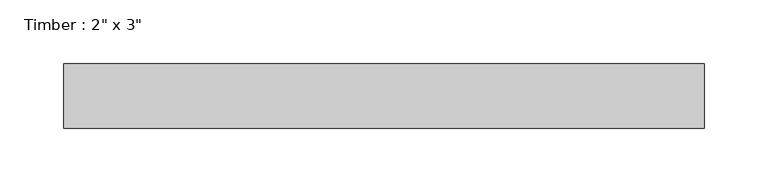
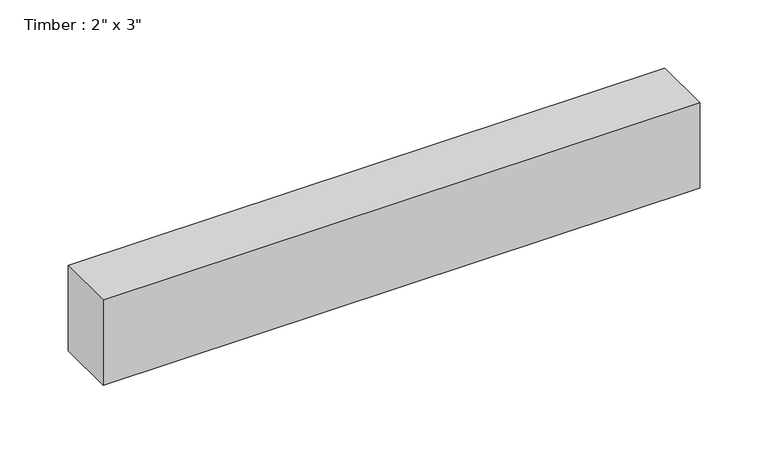
"""IFC4 building model written with IfcOpenShell, lengths in millimetres: beam geometry."""

from ifc_helpers import new_model, si_unit, frame, origin, place, context, project, spatial, polyline, outline, extrude, source, transform, mapped, element, save


def beam_9f747675(model_context):
    return source(origin(), model_context, "Body", "SweptSolid", [
        extrude(outline(polyline([(252.0891816, 25.4), (252.0891816, -25.4), (-252.0891816, -25.4), (-252.0891816, 25.4), (252.0891816, 25.4)])), frame((0.0, 0.0, -38.1), z_axis=(0.0, 0.0, 1.0), x_axis=(1.0, 0.0, 0.0)), (0.0, 0.0, 1.0), 76.2),
    ])


if __name__ == "__main__":
    model = new_model("IFC4")
    model_context = context("Model", 3, world=origin())
    ifc_project = project(units=[si_unit("LENGTHUNIT", "METRE", prefix="MILLI")], contexts=[model_context])
    site = spatial("IfcSite", under=ifc_project)
    building = spatial("IfcBuilding", under=site)
    placement = place(None, origin())
    beam_shape = beam_9f747675(model_context)
    element("IfcBeam", 1, ObjectType="Timber : 2\" x 3\"", at=placement, inside=building, context=model_context, shape_type="MappedRepresentation", body=[
        mapped(beam_shape, transform((0.0, 0.0, 0.0), x_axis=(1.0, 0.0, 0.0), y_axis=(0.0, 1.0, 0.0), z_axis=(0.0, 0.0, 1.0))),
    ])
    save(model, "model.ifc")
